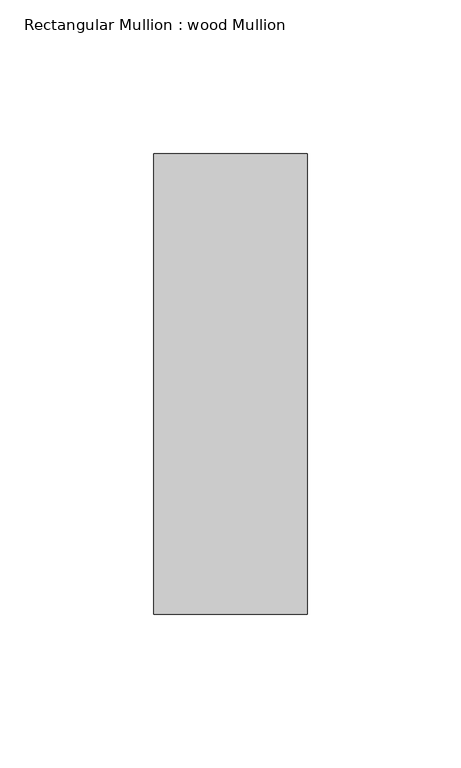
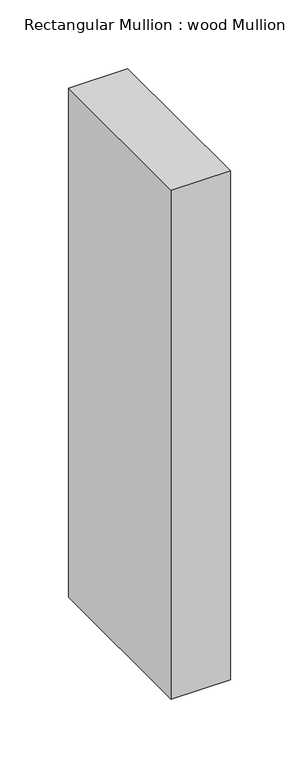
"""IFC4 building model written with IfcOpenShell, lengths in millimetres: member geometry, Rectangular Mullion : wood Mullion."""

from ifc_helpers import new_model, si_unit, frame, origin, place, context, project, spatial, polyline, outline, extrude, source, transform, mapped, element, save


def rectangular_mullion_wood_mullion_e27c2fd3(model_context):
    return source(origin(), model_context, "Body", "SweptSolid", [
        extrude(outline(polyline([(0.0, 75.0), (0.0, -75.0), (-50.0, -75.0), (-50.0, 75.0), (0.0, 75.0)])), frame((0.0, 0.0, -453.1891846), z_axis=(0.0, 0.0, 1.0), x_axis=(1.0, 0.0, 0.0)), (0.0, 0.0, 1.0), 453.1891846),
    ])


if __name__ == "__main__":
    model = new_model("IFC4")
    model_context = context("Model", 3, world=origin())
    ifc_project = project(units=[si_unit("LENGTHUNIT", "METRE", prefix="MILLI")], contexts=[model_context])
    site = spatial("IfcSite", under=ifc_project)
    building = spatial("IfcBuilding", under=site)
    placement = place(None, origin())
    rectangular_mullion_wood_mullion_shape = rectangular_mullion_wood_mullion_e27c2fd3(model_context)
    element("IfcMember", 1, ObjectType="Rectangular Mullion : wood Mullion", at=placement, inside=building, context=model_context, shape_type="MappedRepresentation", body=[
        mapped(rectangular_mullion_wood_mullion_shape, transform((0.0, 0.0, 0.0), x_axis=(1.0, 0.0, 0.0), y_axis=(0.0, 1.0, 0.0), z_axis=(0.0, 0.0, 1.0))),
    ])
    save(model, "model.ifc")
